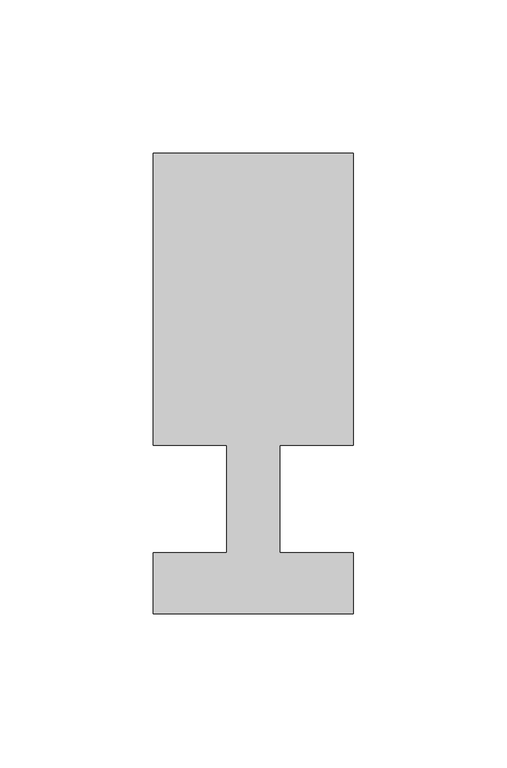
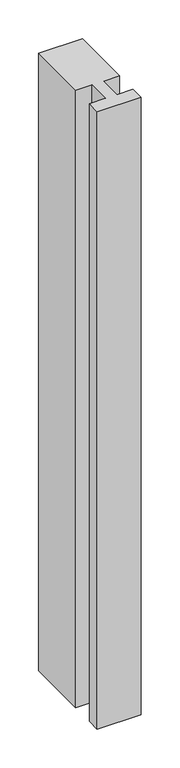
"""IFC4 building model written with IfcOpenShell, lengths in millimetres: member geometry."""

from ifc_helpers import new_model, si_unit, frame, origin, place, context, project, spatial, polyline, outline, extrude, source, transform, mapped, element, save


def member_923efa8a(model_context):
    return source(origin(), model_context, "Body", "SweptSolid", [
        extrude(outline(polyline([(0.0, -37.0), (-65.0, -37.0), (-65.0, -17.0), (-41.1875, -17.0), (-41.1875, 18.0), (-65.0, 18.0), (-65.0, 113.0), (0.0, 113.0), (0.0, 18.0), (-23.8125, 18.0), (-23.8125, -17.0), (0.0, -17.0), (0.0, -37.0)])), frame((0.0, 0.0, -967.5), z_axis=(0.0, 0.0, 1.0), x_axis=(1.0, 0.0, 0.0)), (0.0, 0.0, 1.0), 967.5),
    ])


if __name__ == "__main__":
    model = new_model("IFC4")
    model_context = context("Model", 3, world=origin())
    ifc_project = project(units=[si_unit("LENGTHUNIT", "METRE", prefix="MILLI")], contexts=[model_context])
    site = spatial("IfcSite", under=ifc_project)
    building = spatial("IfcBuilding", under=site)
    placement = place(None, origin())
    member_shape = member_923efa8a(model_context)
    element("IfcMember", 1, at=placement, inside=building, context=model_context, shape_type="MappedRepresentation", body=[
        mapped(member_shape, transform((0.0, 0.0, 0.0), x_axis=(1.0, 0.0, 0.0), y_axis=(0.0, 1.0, 0.0), z_axis=(0.0, 0.0, 1.0))),
    ])
    save(model, "model.ifc")
